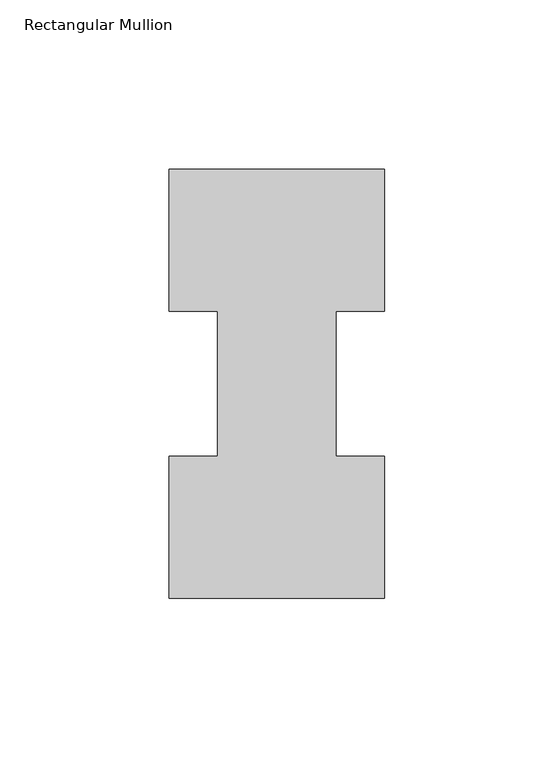
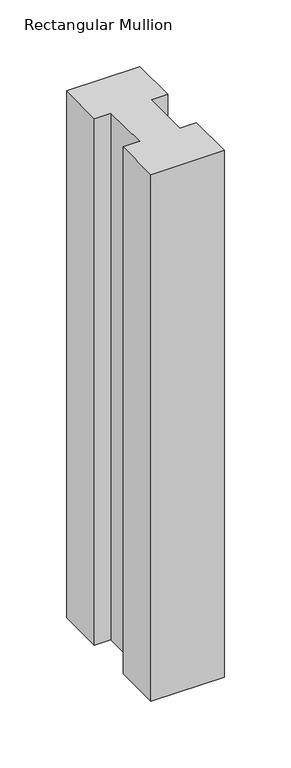
"""IFC4 building model written with IfcOpenShell, lengths in millimetres: member geometry, Rectangular Mullion."""

from ifc_helpers import new_model, si_unit, frame, origin, place, context, project, spatial, polyline, outline, extrude, source, transform, mapped, element, save


def rectangular_mullion_b57dd47a(model_context):
    return source(origin(), model_context, "Body", "SweptSolid", [
        extrude(outline(polyline([(-63.5, 0.26035), (-63.5, 42.08145), (-49.2125, 42.08145), (-49.2125, 84.93125), (-63.5, 84.93125), (-63.5, 126.75235), (0.0, 126.75235), (0.0, 84.93125), (-14.2748, 84.93125), (-14.2748, 42.08145), (0.0, 42.08145), (0.0, 0.26035), (-63.5, 0.26035)])), frame((0.0, 0.0, -482.6), z_axis=(0.0, 0.0, 1.0), x_axis=(1.0, 0.0, 0.0)), (0.0, 0.0, 1.0), 482.6),
    ])


if __name__ == "__main__":
    model = new_model("IFC4")
    model_context = context("Model", 3, world=origin())
    ifc_project = project(units=[si_unit("LENGTHUNIT", "METRE", prefix="MILLI")], contexts=[model_context])
    site = spatial("IfcSite", under=ifc_project)
    building = spatial("IfcBuilding", under=site)
    placement = place(None, origin())
    rectangular_mullion_shape = rectangular_mullion_b57dd47a(model_context)
    element("IfcMember", 1, ObjectType="Rectangular Mullion", at=placement, inside=building, context=model_context, shape_type="MappedRepresentation", body=[
        mapped(rectangular_mullion_shape, transform((0.0, 0.0, 0.0), x_axis=(1.0, 0.0, 0.0), y_axis=(0.0, 1.0, 0.0), z_axis=(0.0, 0.0, 1.0))),
    ])
    save(model, "model.ifc")
